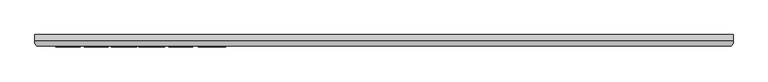
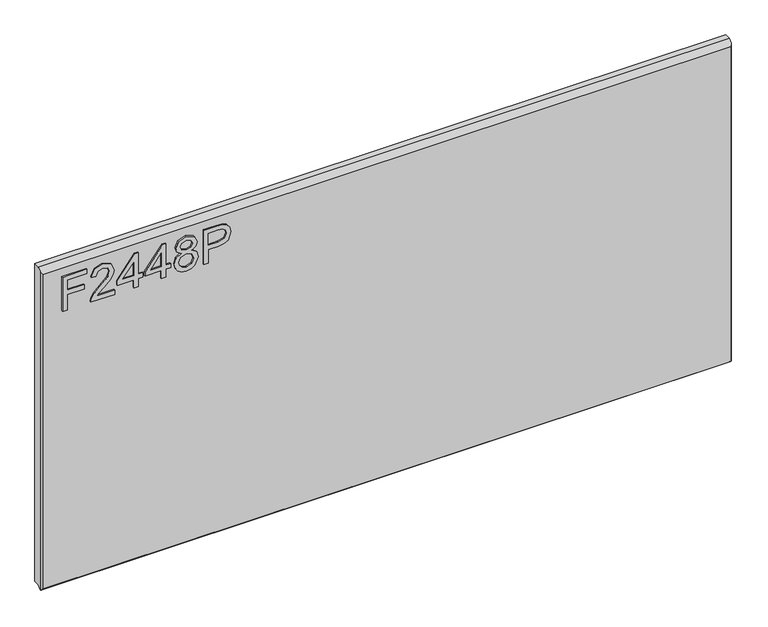
"""IFC4 building model written with IfcOpenShell, lengths in millimetres: furniture geometry."""

from ifc_helpers import new_model, si_unit, frame, origin, place, context, project, spatial, polyline, outline, extrude, faceted_brep, source, transform, mapped, element, save


def furniture_29ddcd39(model_context):
    return source(origin(), model_context, "Body", "SolidModel", [
        extrude(outline(polyline([(1017.3615988, -554.6436441), (1017.3615988, -546.6699245), (1046.2663324, -546.6699245), (1046.2663324, -516.7684759), (1054.240052, -516.7684759), (1054.240052, -546.6699245), (1073.1776361, -546.6699245), (1073.1776361, -511.7849011), (1081.1513557, -511.7849011), (1081.1513557, -554.6436441), (1017.3615988, -554.6436441)])), frame((0.0, -21.9273437, 0.0), z_axis=(0.0, 1.0, 0.0), x_axis=(0.0, 0.0, 1.0)), (0.0, 0.0, 1.0), 2.38125),
        extrude(outline(polyline([(1025.3353184, -462.9458685), (1025.3353184, -494.2645211), (1029.3922597, -490.6670031), (1037.0622927, -481.4941108), (1047.987223, -470.070823), (1055.8052059, -465.3597875), (1063.3662233, -463.9425834), (1076.0431916, -469.1986974), (1081.1513557, -483.471967), (1076.5571227, -497.6985156), (1063.2104866, -503.8111815), (1062.2137716, -495.8374619), (1070.2653596, -492.4813358), (1073.1776361, -483.6432774), (1070.1952781, -475.1634135), (1062.8834395, -471.916303), (1053.8507102, -475.3580844), (1040.5663687, -489.1252096), (1031.3233949, -499.1079328), (1022.8591047, -503.9513445), (1017.3615988, -504.8078965), (1017.3615988, -462.9458685), (1025.3353184, -462.9458685)])), frame((0.0, -21.9273437, 0.0), z_axis=(0.0, 1.0, 0.0), x_axis=(0.0, 0.0, 1.0)), (0.0, 0.0, 1.0), 2.38125),
        extrude(outline(polyline([(1017.3615988, -429.0575601), (1017.3615988, -421.0838405), (1032.312323, -421.0838405), (1032.312323, -413.1101208), (1040.2860427, -413.1101208), (1040.2860427, -421.0838405), (1080.1546407, -421.0838405), (1080.1546407, -427.0641302), (1040.2860427, -457.9622937), (1032.312323, -457.9622937), (1032.312323, -429.0575601), (1017.3615988, -429.0575601)]), holes=[polyline([(1040.2860427, -429.0575601), (1040.2860427, -448.1508809), (1064.9235904, -429.0575601), (1040.2860427, -429.0575601)])]), frame((0.0, -21.9273438, 0.0), z_axis=(0.0, 1.0, 0.0), x_axis=(0.0, 0.0, 1.0)), (0.0, 0.0, 1.0), 2.38125),
        extrude(outline(polyline([(1017.3615988, -380.2185274), (1017.3615988, -372.2448078), (1032.312323, -372.2448078), (1032.312323, -364.2710882), (1040.2860427, -364.2710882), (1040.2860427, -372.2448078), (1080.1546407, -372.2448078), (1080.1546407, -378.2250975), (1040.2860427, -409.123261), (1032.312323, -409.123261), (1032.312323, -380.2185274), (1017.3615988, -380.2185274)]), holes=[polyline([(1040.2860427, -380.2185274), (1040.2860427, -399.3118482), (1064.9235904, -380.2185274), (1040.2860427, -380.2185274)])]), frame((0.0, -21.9273438, 0.0), z_axis=(0.0, 1.0, 0.0), x_axis=(0.0, 0.0, 1.0)), (0.0, 0.0, 1.0), 2.38125),
        extrude(outline(polyline([(1052.4958008, -345.6761249), (1046.7023952, -354.2727913), (1036.1434461, -357.2940835), (1028.3858112, -355.8535189), (1022.0259133, -351.5318252), (1017.7801412, -344.8585071), (1016.3648838, -336.3630695), (1017.774301, -327.8676319), (1022.0025527, -321.1943138), (1035.9254147, -315.4320555), (1046.2429719, -318.3365452), (1052.4958008, -326.8164091), (1057.4248677, -319.7537493), (1064.939164, -317.4254854), (1076.4325333, -322.6582389), (1081.1513557, -336.4720852), (1076.541549, -350.1613421), (1065.1571954, -355.3006536), (1057.4482282, -352.9412424), (1052.4958008, -345.6761249)]), holes=[polyline([(1064.9235904, -347.326934), (1070.7481434, -344.4535917), (1073.1776361, -336.3630695), (1070.6936355, -328.2959079), (1064.5653959, -325.3992051), (1058.6474009, -328.2024659), (1056.2334819, -336.2696275), (1058.6629746, -344.5003127), (1064.9235904, -347.326934)]), polyline([(1036.4237722, -349.3203639), (1044.8802756, -345.9486641), (1048.2597623, -336.5655272), (1044.8335546, -326.9098511), (1036.1745935, -323.4057751), (1027.6791559, -326.8008355), (1024.3386034, -336.3007748), (1025.9271179, -343.2777795), (1030.420122, -347.988815), (1036.4237722, -349.3203639)])]), frame((0.0, -21.9273437, 0.0), z_axis=(0.0, 1.0, 0.0), x_axis=(0.0, 0.0, 1.0)), (0.0, 0.0, 1.0), 2.38125),
        extrude(outline(polyline([(1017.3615988, -305.464906), (1017.3615988, -297.4911864), (1043.2761875, -297.4911864), (1043.2761875, -281.2789947), (1044.6856047, -269.9510957), (1048.9138565, -262.7541129), (1062.6965554, -257.6225883), (1071.3944507, -259.5225762), (1077.5616245, -264.5450851), (1080.5439825, -272.2929865), (1081.1513557, -281.8240732), (1081.1513557, -305.464906), (1017.3615988, -305.464906)]), holes=[polyline([(1051.2499071, -297.4911864), (1073.1776361, -297.4911864), (1073.1776361, -280.9986687), (1072.6325576, -273.024949), (1069.0194659, -267.6442457), (1062.4162293, -265.5963079), (1054.1777573, -269.0692366), (1051.2499071, -280.8117846), (1051.2499071, -297.4911864)])]), frame((0.0, -21.9273437, 0.0), z_axis=(0.0, 1.0, 0.0), x_axis=(0.0, 0.0, 1.0)), (0.0, 0.0, 1.0), 2.38125),
        faceted_brep([(628.3377049, 0.0, 1106.2615987), (-590.8622951, 0.0, 1106.2615987), (-590.8622951, -10.0314449, 1106.2615987), (628.3377049, -10.0314449, 1106.2615987), (-590.8622951, 0.0, 512.834255), (628.3377049, 0.0, 512.834255), (628.3377049, -10.0314449, 512.834255), (-590.8622951, -10.0314449, 512.834255), (-590.8622951, -15.7726273, 507.0930727), (-590.8622951, -15.7726273, 1100.5204164), (-587.6959807, -19.5460937, 509.659255), (625.1713906, -19.5460937, 509.659255), (625.1713906, -19.5460937, 1096.7469499), (-587.6959807, -19.5460937, 1096.7469499), (628.3377049, -15.7726273, 1100.5204164), (628.3377049, -15.7726273, 507.0930727), (-590.3514364, -16.3814449, 506.484255), (627.8268462, -16.3814449, 506.484255)], [[[0, 1, 2, 3]], [[4, 5, 6, 7]], [[1, 4, 7, 8, 9, 2]], [[10, 11, 12, 13]], [[5, 0, 3, 14, 15, 6]], [[1, 0, 5, 4]], [[11, 10, 16, 17]], [[7, 6, 15, 17, 16, 8]], [[3, 2, 9, 13, 12, 14]], [[9, 8, 16, 10, 13]], [[12, 11, 17, 15, 14]]]),
    ])


if __name__ == "__main__":
    model = new_model("IFC4")
    model_context = context("Model", 3, world=origin())
    ifc_project = project(units=[si_unit("LENGTHUNIT", "METRE", prefix="MILLI")], contexts=[model_context])
    site = spatial("IfcSite", under=ifc_project)
    building = spatial("IfcBuilding", under=site)
    placement = place(None, origin())
    furniture_shape = furniture_29ddcd39(model_context)
    element("IfcFurniture", 1, at=placement, inside=building, context=model_context, shape_type="MappedRepresentation", body=[
        mapped(furniture_shape, transform((0.0, 0.0, 0.0), x_axis=(1.0, 0.0, 0.0), y_axis=(0.0, 1.0, 0.0), z_axis=(0.0, 0.0, 1.0))),
    ])
    save(model, "model.ifc")
